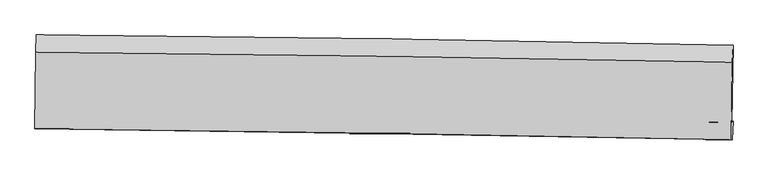
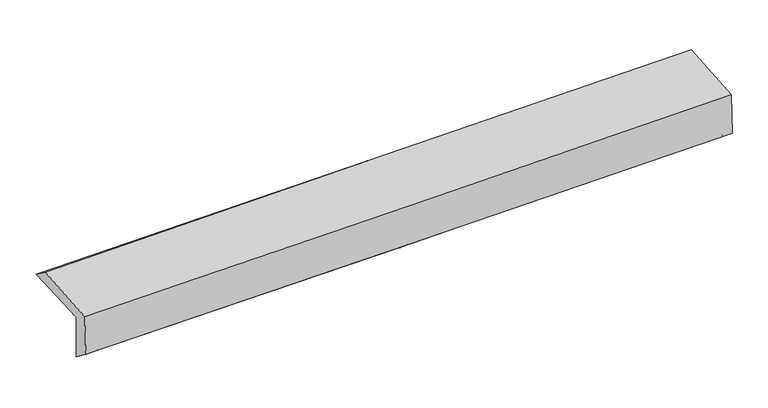
"""IFC4 building model written with IfcOpenShell, lengths in millimetres: proxy geometry."""

from ifc_helpers import new_model, si_unit, frame, origin, place, context, project, spatial, source, transform, mapped, element, save
from ifc_brep_helpers import plane_surface, spline_curve, spline_surface, advanced_brep


def generic_models_b6821d7b(model_context):
    return source(origin(), model_context, "Body", "AdvancedBrep", [
        advanced_brep(
        [(-3010.9084966, -1757.8392394, 1968.402695), (-3001.8389115, -1095.2297951, 1989.388295), (2998.2771751, -1184.9704466, 2120.6286204), (2988.1866826, -1845.8617979, 2111.3627785), (-3001.2977886, -1745.2264587, 1566.0071106), (2997.562508, -1840.3163345, 1714.2957395), (-3006.545903, -1905.5014803, 1691.2824296), (2992.3124126, -1997.7560094, 1833.751981), (-3015.2347986, -1904.854422, 2062.5029846), (2983.4069068, -1997.0919465, 2214.8550282), (-3006.6846526, -1245.3221387, 2103.7620427), (2992.8276949, -1330.4545519, 2256.5775236)],
        [
            (0, 1),
            (1, 2, spline_curve(3, [(-3001.8389115, -1095.2297951, 1989.388295), (-2001.410117572, -1101.063036783, 1999.660085964), (-1001.187622667, -1111.458006992, 2015.732622212), (998.851075439, -1141.371500129, 2059.479324327), (1998.667276149, -1160.890080178, 2087.1535629), (2998.2771751, -1184.9704466, 2120.6286204)], [4, 2, 4], [0.0, 9.845767870130127, 19.691597830336157])),
            (2, 3),
            (3, 0, spline_curve(3, [(2988.1866826, -1845.8617979, 2111.3627785), (1988.758285289, -1827.633685486, 2071.863471172), (989.117911244, -1811.184398568, 2040.200464236), (-1010.580484545, -1781.843567947, 1992.547201821), (-2010.638503749, -1768.95200236, 1976.556847708), (-3010.9084966, -1757.8392394, 1968.402695)], [4, 2, 4], [0.0, 9.84582996020603, 19.691597830336157])),
            (4, 0),
            (3, 5),
            (5, 4, spline_curve(3, [(2997.562508, -1840.3163345, 1714.2957395), (1998.172999103, -1818.657649969, 1675.421126486), (998.571643234, -1799.904135541, 1643.626417327), (-1001.048458581, -1768.207546803, 1594.19696393), (-2001.067201307, -1755.264435975, 1576.562129869), (-3001.2977886, -1745.2264587, 1566.0071106)], [4, 2, 4], [0.0, 9.845218043909703, 19.69037400160239])),
            (6, 4),
            (5, 7),
            (7, 6, spline_curve(3, [(2992.3124126, -1997.7560094, 1833.751981), (1992.703238024, -1977.613900433, 1804.552019662), (992.99221454, -1959.854951981, 1778.0795475), (-1006.62722549, -1929.103472383, 1730.589731442), (-2006.535640472, -1916.11091118, 1709.572353178), (-3006.545903, -1905.5014803, 1691.2824296)], [4, 2, 4], [0.0, 9.844920274470821, 19.689778464602426])),
            (8, 6),
            (7, 9),
            (9, 8, spline_curve(3, [(2983.4069068, -1997.0919465, 2214.8550282), (1983.792632429, -1976.949603949, 2185.766987077), (984.097110417, -1959.191955546, 2158.526928723), (-1015.450125994, -1928.446143999, 2107.742937605), (-2015.30183857, -1915.457950936, 2084.198981529), (-3015.2347986, -1904.854422, 2062.5029846)], [4, 2, 4], [0.0, 9.844697295718964, 19.68933250850487])),
            (10, 8),
            (9, 11),
            (11, 10, spline_curve(3, [(2992.8276949, -1330.4545519, 2256.5775236), (1993.100278436, -1309.034756673, 2227.566237196), (993.275631484, -1291.230480117, 2200.325936203), (-1006.561819146, -1262.85305496, 2149.387464613), (-2006.574620974, -1252.279860175, 2125.689272211), (-3006.6846526, -1245.3221387, 2103.7620427)], [4, 2, 4], [0.0, 9.845365410807439, 19.69066873446853])),
            (1, 10),
            (11, 2),
        ],
        [
            spline_surface(3, 3, [[(-3010.9084966, -1757.8392394, 1968.402695), (-2010.638503616, -1768.952002223, 1976.556847556), (-1010.580484522, -1781.843568068, 1992.547201869), (989.117911221, -1811.184398447, 2040.200464188), (1988.758285188, -1827.633685473, 2071.863471067), (2988.1866826, -1845.8617979, 2111.3627785)], [(-3007.885301576, -1536.969424643, 1975.397894984), (-2007.562374945, -1546.322347031, 1984.257926988), (-1007.449530584, -1558.38171439, 2000.275675356), (992.362299289, -1587.913432295, 2046.626750892), (1992.061282141, -1605.385817032, 2076.960168375), (2991.550180083, -1625.564680819, 2114.451392462)], [(-3004.862106524, -1316.099609857, 1982.393095016), (-2004.486246244, -1323.69269181, 1991.959006468), (-1004.318576617, -1334.919860761, 2008.004148798), (995.606687385, -1364.642466191, 2053.05303755), (1995.364279147, -1383.137948535, 2082.056865698), (2994.913677617, -1405.267563681, 2117.540006438)], [(-3001.8389115, -1095.2297951, 1989.388295), (-2001.410117573, -1101.063036619, 1999.6600859), (-1001.187622679, -1111.458007083, 2015.732622285), (998.851075452, -1141.371500038, 2059.479324254), (1998.6672761, -1160.890080094, 2087.153563006), (2998.2771751, -1184.9704466, 2120.6286204)]], [4, 4], [4, 2, 4], [0.0, 2.1998153329189285], [0.0, 9.845767870130127, 19.691597830336157]),
            spline_surface(3, 3, [[(-3001.2977886, -1745.2264587, 1566.0071106), (-2001.067201256, -1755.264436015, 1576.562129748), (-1001.048458437, -1768.207546851, 1594.196963796), (998.57164309, -1799.904135492, 1643.626417461), (1998.172999161, -1818.657649891, 1675.421126394), (2997.562508, -1840.3163345, 1714.2957395)], [(-3004.501357926, -1749.430718939, 1700.138972055), (-2004.257635369, -1759.826958091, 1709.89370234), (-1004.225800446, -1772.752887274, 1726.980376476), (995.420399153, -1803.664223162, 1775.817766359), (1995.034761191, -1821.649661723, 1807.568574601), (2994.437232888, -1842.164822271, 1846.651419149)], [(-3007.704927274, -1753.634979161, 1834.270833545), (-2007.448069503, -1764.389480147, 1843.225274964), (-1007.403142513, -1777.298227644, 1859.763789189), (992.269155159, -1807.424310778, 1908.00911529), (1991.896523157, -1824.641673641, 1939.71602286), (2991.311957712, -1844.013310129, 1979.007098851)], [(-3010.9084966, -1757.8392394, 1968.402695), (-2010.638503616, -1768.952002223, 1976.556847556), (-1010.580484522, -1781.843568068, 1992.547201869), (989.117911221, -1811.184398447, 2040.200464188), (1988.758285188, -1827.633685473, 2071.863471067), (2988.1866826, -1845.8617979, 2111.3627785)]], [4, 4], [4, 2, 4], [0.0, 1.3050217352199782], [0.0, 9.845155957692686, 19.69037400160239]),
            spline_surface(3, 3, [[(-3006.545903, -1905.5014803, 1691.2824296), (-2006.535640378, -1916.110911233, 1709.572353086), (-1006.62722538, -1929.103472365, 1730.589731443), (992.992214431, -1959.854951999, 1778.079547498), (1992.703237981, -1977.613900584, 1804.55201963), (2992.3124126, -1997.7560094, 1833.751981)], [(-3004.796531538, -1852.076473103, 1649.523989949), (-2004.712827342, -1862.495419496, 1665.235611989), (-1004.767636414, -1875.471497194, 1685.125475582), (994.852023969, -1906.538013164, 1733.261837507), (1994.526491699, -1924.628483713, 1761.508388572), (2994.062444392, -1945.276117794, 1793.933233854)], [(-3003.047160062, -1798.651465897, 1607.765550251), (-2002.890014292, -1808.879927752, 1620.898870845), (-1002.908047403, -1821.839522021, 1639.661219658), (996.711833552, -1853.221074327, 1688.444127453), (1996.349745442, -1871.643066762, 1718.464757452), (2995.812476208, -1892.796226106, 1754.114486646)], [(-3001.2977886, -1745.2264587, 1566.0071106), (-2001.067201256, -1755.264436015, 1576.562129748), (-1001.048458437, -1768.207546851, 1594.196963796), (998.57164309, -1799.904135492, 1643.626417461), (1998.172999161, -1818.657649891, 1675.421126394), (2997.562508, -1840.3163345, 1714.2957395)]], [4, 4], [4, 2, 4], [0.0, 0.6890244698006116], [0.0, 9.844858190131605, 19.689778464602426]),
            spline_surface(3, 3, [[(-3015.2347986, -1904.854422, 2062.5029846), (-2015.301838719, -1915.457950958, 2084.19898141), (-1015.450125867, -1928.446144055, 2107.742937555), (984.09711029, -1959.191955491, 2158.526928773), (1983.792632573, -1976.949603868, 2185.766987178), (2983.4069068, -1997.0919465, 2214.8550282)], [(-3012.338500075, -1905.070108108, 1938.762799593), (-2012.379772614, -1915.67560439, 1959.323438629), (-1012.50915902, -1928.665253498, 1982.025202155), (987.062145022, -1959.412954334, 2031.711134985), (1986.76283436, -1977.171036094, 2058.695331319), (2986.375408718, -1997.313300787, 2087.820679123)], [(-3009.442201525, -1905.285794192, 1815.022614607), (-2009.457706483, -1915.8932578, 1834.447895867), (-1009.568192227, -1928.884362921, 1856.307466844), (990.027179699, -1959.633953156, 1904.895341286), (1989.733036194, -1977.392468358, 1931.623675489), (2989.343910682, -1997.534655113, 1960.786330077)], [(-3006.545903, -1905.5014803, 1691.2824296), (-2006.535640378, -1916.110911233, 1709.572353086), (-1006.62722538, -1929.103472365, 1730.589731443), (992.992214431, -1959.854951999, 1778.079547498), (1992.703237981, -1977.613900584, 1804.55201963), (2992.3124126, -1997.7560094, 1833.751981)]], [4, 4], [4, 2, 4], [0.0, 1.243124861718826], [0.0, 9.844635212785905, 19.68933250850487]),
            spline_surface(3, 3, [[(-3006.6846526, -1245.3221387, 2103.7620427), (-2006.574621005, -1252.279860111, 2125.689272313), (-1006.561819022, -1262.853054808, 2149.387464756), (993.275631361, -1291.23048027, 2200.325936059), (1993.100278565, -1309.034756649, 2227.566237238), (2992.8276949, -1330.4545519, 2256.5775236)], [(-3009.534701261, -1465.166233116, 2090.009023334), (-2009.483693571, -1473.33922371, 2111.859175347), (-1009.524587983, -1484.717417873, 2135.50595569), (990.216124324, -1513.884305326, 2186.392933631), (1989.997729916, -1531.673039056, 2213.633153872), (2989.687432215, -1552.667016767, 2242.670025121)], [(-3012.384749939, -1685.010327584, 2076.256003966), (-2012.392766153, -1694.398587359, 2098.029078377), (-1012.487356906, -1706.58178099, 2121.624446622), (987.156617326, -1736.538130434, 2172.459931201), (1986.895181222, -1754.311321462, 2199.700070544), (2986.547169485, -1774.879481633, 2228.762526679)], [(-3015.2347986, -1904.854422, 2062.5029846), (-2015.301838719, -1915.457950958, 2084.19898141), (-1015.450125867, -1928.446144055, 2107.742937555), (984.09711029, -1959.191955491, 2158.526928773), (1983.792632573, -1976.949603868, 2185.766987178), (2983.4069068, -1997.0919465, 2214.8550282)]], [4, 4], [4, 2, 4], [0.0, 2.1920682311620436], [0.0, 9.845303323661092, 19.69066873446853]),
            spline_surface(3, 3, [[(-3001.8389115, -1095.2297951, 1989.388295), (-2001.410117573, -1101.063036619, 1999.6600859), (-1001.187622679, -1111.458007083, 2015.732622285), (998.851075452, -1141.371500038, 2059.479324254), (1998.6672761, -1160.890080094, 2087.153563006), (2998.2771751, -1184.9704466, 2120.6286204)], [(-3003.454158523, -1145.260576291, 2027.512877583), (-2003.131618706, -1151.468644441, 2041.669814721), (-1002.979021461, -1161.923023, 2060.284236446), (996.992594088, -1191.324493457, 2106.42819486), (1996.81161026, -1210.271638942, 2133.957787774), (2996.460681705, -1233.465148363, 2165.944921491)], [(-3005.069405577, -1195.291357509, 2065.637460117), (-2004.853119871, -1201.87425229, 2083.679543492), (-1004.770420241, -1212.388038892, 2104.835850595), (995.134112725, -1241.277486851, 2153.377065453), (1994.955944405, -1259.653197801, 2180.76201247), (2994.644188295, -1281.959850137, 2211.261222509)], [(-3006.6846526, -1245.3221387, 2103.7620427), (-2006.574621005, -1252.279860111, 2125.689272313), (-1006.561819022, -1262.853054808, 2149.387464756), (993.275631361, -1291.23048027, 2200.325936059), (1993.100278565, -1309.034756649, 2227.566237238), (2992.8276949, -1330.4545519, 2256.5775236)]], [4, 4], [4, 2, 4], [0.0, 0.6688106023334842], [0.0, 9.8461380824967, 19.692338257403964]),
            plane_surface(frame((2992.0955633, -1699.4085145, 2041.9119452), z_axis=(0.9996049561505209, -0.015589845326896916, 0.023385644357144117), x_axis=(0.023361297896261297, -0.0017419976740841758, -0.9997255699464257))),
            plane_surface(frame((-3007.0850918, -1608.995589, 1896.8909263), z_axis=(-0.9996215894272735, 0.014424318725645808, -0.023422574158120286), x_axis=(-0.013679538804215106, -0.9994053238878643, -0.03165231117465536))),
        ],
        [
            (0, [[1, 2, 3, 4]]),
            (1, [[5, -4, 6, 7]]),
            (2, [[8, -7, 9, 10]]),
            (3, [[11, -10, 12, 13]]),
            (4, [[14, -13, 15, 16]]),
            (5, [[17, -16, 18, -2]]),
            (6, [[-12, -9, -6, -3, -18, -15]]),
            (7, [[-1, -5, -8, -11, -14, -17]]),
        ],
    ),
    ])


if __name__ == "__main__":
    model = new_model("IFC4")
    model_context = context("Model", 3, world=origin())
    ifc_project = project(units=[si_unit("LENGTHUNIT", "METRE", prefix="MILLI")], contexts=[model_context])
    site = spatial("IfcSite", under=ifc_project)
    building = spatial("IfcBuilding", under=site)
    placement = place(None, origin())
    generic_models_shape = generic_models_b6821d7b(model_context)
    element("IfcBuildingElementProxy", 1, Name="Generic Models", at=placement, inside=building, context=model_context, shape_type="MappedRepresentation", body=[
        mapped(generic_models_shape, transform((0.0, 0.0, 0.0), x_axis=(1.0, 0.0, 0.0), y_axis=(0.0, 1.0, 0.0), z_axis=(0.0, 0.0, 1.0))),
    ])
    save(model, "model.ifc")
